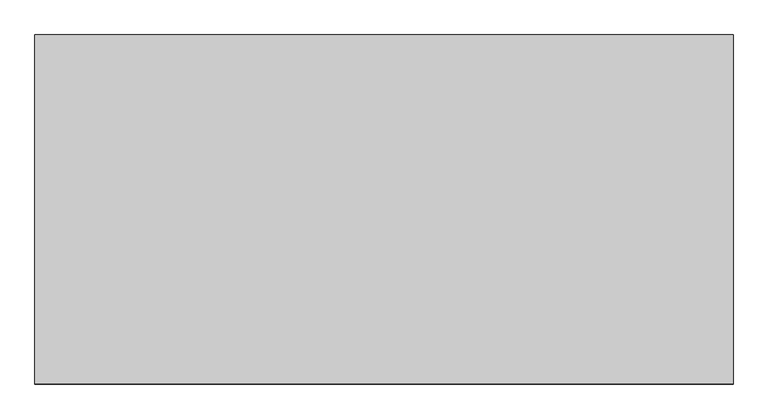
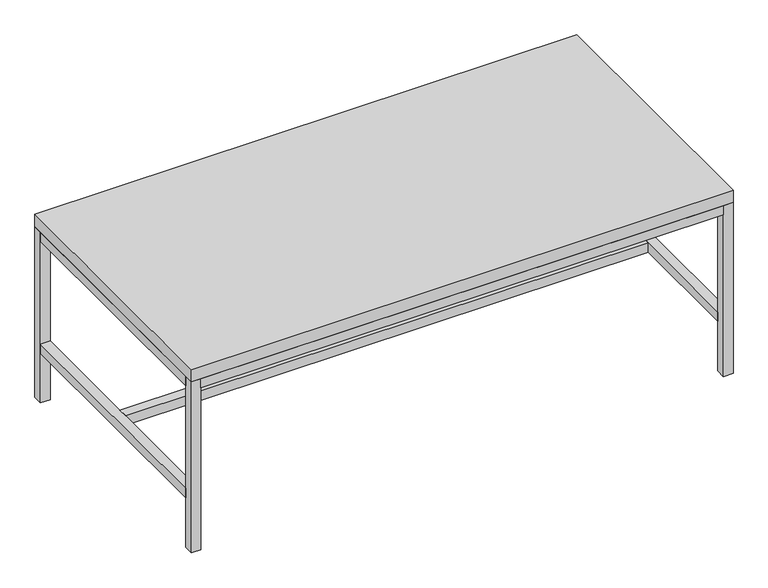
"""IFC4 building model written with IfcOpenShell, lengths in millimetres: furniture geometry."""

import ifcopenshell
import ifcopenshell.guid

model = None  # the IFC model being written
_history = None  # IfcOwnerHistory: only IFC2X3 demands one
_inside = {}  # id of a spatial element -> (the spatial element, [elements in it])
_under = {}  # id of a project, library or spatial element -> (it, [spatial elements below it])
_declared = {}  # id of a project -> (the project, [libraries it declares])
_typed = {}  # id of a type object -> (the type object, [elements of that type])
_made_of = {}  # id of a material, layer set ... -> (it, [elements and type objects made of it])


def new_model(schema):
    """Start an empty IFC model of exactly this schema.

    Asked for "IFC4X3", IfcOpenShell would pick the latest addendum, in which some entities
    have other attributes; the version numbers below select the first issue.
    IFC2X3 requires an IfcOwnerHistory on every rooted entity: one is made here for all.
    """
    global model, _history
    if schema == "IFC4X3":
        model = ifcopenshell.file(schema_version=(4, 3, 0, 0))
    else:
        model = ifcopenshell.file(schema=schema)
    _inside.clear()
    _under.clear()
    _declared.clear()
    _typed.clear()
    _made_of.clear()
    _history = None
    if model.schema == "IFC2X3":
        org = make("IfcOrganization", Name="unknown")
        user = make(
            "IfcPersonAndOrganization",
            ThePerson=make("IfcPerson", FamilyName="unknown"),
            TheOrganization=org,
        )
        app = make(
            "IfcApplication",
            ApplicationDeveloper=org,
            Version="unknown",
            ApplicationFullName="unknown",
            ApplicationIdentifier="unknown",
        )
        _history = make(
            "IfcOwnerHistory",
            OwningUser=user,
            OwningApplication=app,
            ChangeAction="ADDED",
            CreationDate=0,
        )
    return model


def make(cls, **values):
    """One entity of the class cls with the attributes given. An attribute that is None is left unset."""
    return model.create_entity(
        cls, **{name: value for name, value in values.items() if value is not None}
    )


def rooted(cls, **values):
    """An entity with a GlobalId (a new one), such as an element, a storey or a relation."""
    return make(cls, GlobalId=ifcopenshell.guid.new(), OwnerHistory=_history, **values)


def si_unit(unit_type, name, prefix=None):
    """IfcSIUnit, for example si_unit("LENGTHUNIT", "METRE", prefix="MILLI")."""
    return make("IfcSIUnit", UnitType=unit_type, Prefix=prefix, Name=name)


def assignment(units):
    """IfcUnitAssignment: the units of a project."""
    return None if units is None else make("IfcUnitAssignment", Units=units)


def point(xyz):
    """IfcCartesianPoint."""
    return None if xyz is None else make("IfcCartesianPoint", Coordinates=xyz)


def direction(xyz):
    """IfcDirection."""
    return None if xyz is None else make("IfcDirection", DirectionRatios=xyz)


def frame(location, z_axis=None, x_axis=None):
    """IfcAxis2Placement3D, a coordinate frame: its origin and axes. An axis left out is left unset."""
    return make(
        "IfcAxis2Placement3D",
        Location=point(location),
        Axis=direction(z_axis),
        RefDirection=direction(x_axis),
    )


def origin():
    """The frame at (0, 0, 0) with its axes left unset."""
    return frame((0.0, 0.0, 0.0))


def origin_with_axes():
    """The frame at (0, 0, 0) with the z axis (0, 0, 1) and the x axis (1, 0, 0) written out."""
    return frame((0.0, 0.0, 0.0), z_axis=(0.0, 0.0, 1.0), x_axis=(1.0, 0.0, 0.0))


def place(relative_to, where):
    """IfcLocalPlacement: puts the frame where relative to a parent placement (None: the world)."""
    return make(
        "IfcLocalPlacement", PlacementRelTo=relative_to, RelativePlacement=where
    )


def context(
    kind, dimensions, precision=None, world=None, true_north=None, identifier=None
):
    """IfcGeometricRepresentationContext, for example the 3D "Model" context."""
    return make(
        "IfcGeometricRepresentationContext",
        ContextIdentifier=identifier,
        ContextType=kind,
        CoordinateSpaceDimension=dimensions,
        Precision=precision,
        WorldCoordinateSystem=world,
        TrueNorth=true_north,
    )


def project(units=None, contexts=None):
    """IfcProject with its units and contexts."""
    return rooted(
        "IfcProject",
        Name="project",
        RepresentationContexts=contexts,
        UnitsInContext=assignment(units),
    )


def spatial(cls, under=None, at=None, **own):
    """A site, building, storey or space (cls), placed at a placement, below another one or the project."""
    s = rooted(cls, ObjectPlacement=at, **own)
    if under is not None:
        _under.setdefault(under.id(), (under, []))[1].append(s)
    return s


def polyline(points):
    """IfcPolyline through the points."""
    return make("IfcPolyline", Points=[point(p) for p in points])


def outline(outer, holes=None, kind="AREA"):
    """IfcArbitraryClosedProfileDef: a profile drawn as a closed curve; with holes, ...WithVoids."""
    if holes is None:
        return make("IfcArbitraryClosedProfileDef", ProfileType=kind, OuterCurve=outer)
    return make(
        "IfcArbitraryProfileDefWithVoids",
        ProfileType=kind,
        OuterCurve=outer,
        InnerCurves=holes,
    )


def extrude(swept, where, along, depth):
    """IfcExtrudedAreaSolid: the profile swept, set in the frame where, extruded along a direction by depth."""
    return make(
        "IfcExtrudedAreaSolid",
        SweptArea=swept,
        Position=where,
        ExtrudedDirection=direction(along),
        Depth=depth,
    )


def shape(context_of_items, identifier, shape_type, items):
    """IfcShapeRepresentation: the items that make up one representation, for example the "Body"."""
    return make(
        "IfcShapeRepresentation",
        ContextOfItems=context_of_items,
        RepresentationIdentifier=identifier,
        RepresentationType=shape_type,
        Items=items,
    )


def source(mapping_origin, context_of_items, identifier, shape_type, items):
    """IfcRepresentationMap: a shape defined once, which mapped items show again and again."""
    return make(
        "IfcRepresentationMap",
        MappingOrigin=mapping_origin,
        MappedRepresentation=shape(context_of_items, identifier, shape_type, items),
    )


def transform(
    local_origin,
    x_axis=None,
    y_axis=None,
    z_axis=None,
    scale=None,
    scale2=None,
    scale3=None,
    uniform=True,
):
    """IfcCartesianTransformationOperator3D, or its non-uniform kind. x_axis, y_axis, z_axis: its Axis1, 2, 3."""
    if uniform:
        return make(
            "IfcCartesianTransformationOperator3D",
            Axis1=direction(x_axis),
            Axis2=direction(y_axis),
            LocalOrigin=point(local_origin),
            Scale=scale,
            Axis3=direction(z_axis),
        )
    return make(
        "IfcCartesianTransformationOperator3DnonUniform",
        Axis1=direction(x_axis),
        Axis2=direction(y_axis),
        LocalOrigin=point(local_origin),
        Scale=scale,
        Axis3=direction(z_axis),
        Scale2=scale2,
        Scale3=scale3,
    )


def mapped(mapping_source, mapping_target):
    """IfcMappedItem: shows the shape of a source again, moved by a transform."""
    return make(
        "IfcMappedItem", MappingSource=mapping_source, MappingTarget=mapping_target
    )


def made_of(thing, what):
    """Note that an element or type object is made of a material, layer set ...; save() writes the relation."""
    if what is not None:
        _made_of.setdefault(what.id(), (what, []))[1].append(thing)
    return thing


def element(
    cls,
    number,
    at=None,
    inside=None,
    cuts=None,
    type_object=None,
    material=None,
    context=None,
    identifier="Body",
    shape_type=None,
    held_by="IfcProductDefinitionShape",
    body=None,
    shapes=None,
    **own,
):
    """One element of the class cls, such as IfcWall. Its Tag is "e" and its number.

    at: its placement. inside: the storey or other place that contains it. cuts: it is an
    opening in that element (IfcRelVoidsElement). A single representation is given by context,
    identifier, shape_type and body (its items); several are given by shapes. held_by: the class
    of the entity that holds the representations. save() writes the other relations.
    """
    e = rooted(cls, Tag="e%d" % number, ObjectPlacement=at, **own)
    if body is not None:
        shapes = [shape(context, identifier, shape_type, body)]
    if shapes is not None:
        e.Representation = make(held_by, Representations=shapes)
    if inside is not None:
        _inside.setdefault(inside.id(), (inside, []))[1].append(e)
    if cuts is not None:
        rooted(
            "IfcRelVoidsElement", RelatingBuildingElement=cuts, RelatedOpeningElement=e
        )
    if type_object is not None:
        _typed.setdefault(type_object.id(), (type_object, []))[1].append(e)
    return made_of(e, material)


def aggregate(whole, parts):
    """IfcRelAggregates: a whole, such as a stair, and the parts it consists of."""
    return rooted("IfcRelAggregates", RelatingObject=whole, RelatedObjects=parts)


def save(model, path):
    """Write the relations noted so far, then the file.

    IfcRelAggregates (storeys below a building ...), IfcRelContainedInSpatialStructure (elements
    in a storey), IfcRelDefinesByType, IfcRelAssociatesMaterial and IfcRelDeclares: one each for
    every whole, place, type object, material and project.
    """
    for whole, parts in _under.values():
        aggregate(whole, parts)
    for where, things in _inside.values():
        rooted(
            "IfcRelContainedInSpatialStructure",
            RelatedElements=things,
            RelatingStructure=where,
        )
    for kind, things in _typed.values():
        rooted("IfcRelDefinesByType", RelatedObjects=things, RelatingType=kind)
    for what, things in _made_of.values():
        rooted("IfcRelAssociatesMaterial", RelatedObjects=things, RelatingMaterial=what)
    for by, libraries in _declared.values():
        rooted("IfcRelDeclares", RelatingContext=by, RelatedDefinitions=libraries)
    model.write(path)


def furniture_e52c4ae0(model_context):
    return source(origin(), model_context, "Body", "SweptSolid", [
        extrude(outline(polyline([(6946.9, -597.9973297), (4813.3, -597.9973297), (4813.3, 468.8026703), (6946.9, 468.8026703), (6946.9, -597.9973297)])), frame((0.0, 0.0, 711.2), z_axis=(0.0, 0.0, 1.0), x_axis=(1.0, 0.0, 0.0)), (0.0, 0.0, 1.0), 50.8),
        extrude(outline(polyline([(6908.8, -83.6473297), (4851.4, -83.6473297), (4851.4, -45.5473297), (6908.8, -45.5473297), (6908.8, -83.6473297)])), frame((0.0, 0.0, 206.375), z_axis=(0.0, 0.0, 1.0), x_axis=(1.0, 0.0, 0.0)), (0.0, 0.0, 1.0), 38.1),
        extrude(outline(polyline([(6908.8, -559.8973297), (6908.8, -597.9973297), (4851.4, -597.9973297), (4851.4, -559.8973297), (6908.8, -559.8973297)])), frame((0.0, 0.0, 673.1), z_axis=(0.0, 0.0, 1.0), x_axis=(1.0, 0.0, 0.0)), (0.0, 0.0, 1.0), 38.1),
        extrude(outline(polyline([(4851.4, 468.8026703), (6908.8, 468.8026703), (6908.8, 430.7027578), (4851.4, 430.7027578), (4851.4, 468.8026703)])), frame((0.0, 0.0, 673.1), z_axis=(0.0, 0.0, 1.0), x_axis=(1.0, 0.0, 0.0)), (0.0, 0.0, 1.0), 38.1),
        extrude(outline(polyline([(6908.8, 430.7027578), (6946.9, 430.7027578), (6946.9, -559.8973297), (6908.8, -559.8973297), (6908.8, 430.7027578)])), frame((0.0, 0.0, 673.1), z_axis=(0.0, 0.0, 1.0), x_axis=(1.0, 0.0, 0.0)), (0.0, 0.0, 1.0), 38.1),
        extrude(outline(polyline([(6908.8, 430.7027578), (6946.9, 430.7027578), (6946.9, -559.8973297), (6908.8, -559.8973297), (6908.8, 430.7027578)])), frame((0.0, 0.0, 206.375), z_axis=(0.0, 0.0, 1.0), x_axis=(1.0, 0.0, 0.0)), (0.0, 0.0, 1.0), 38.1),
        extrude(outline(polyline([(4813.3, 430.7027578), (4851.4, 430.7027578), (4851.4, -559.8973297), (4813.3, -559.8973297), (4813.3, 430.7027578)])), frame((0.0, 0.0, 206.375), z_axis=(0.0, 0.0, 1.0), x_axis=(1.0, 0.0, 0.0)), (0.0, 0.0, 1.0), 38.1),
        extrude(outline(polyline([(4813.3, 430.7027578), (4851.4, 430.7027578), (4851.4, -559.8973297), (4813.3, -559.8973297), (4813.3, 430.7027578)])), frame((0.0, 0.0, 673.1), z_axis=(0.0, 0.0, 1.0), x_axis=(1.0, 0.0, 0.0)), (0.0, 0.0, 1.0), 38.1),
        extrude(outline(polyline([(6946.9, -597.9973297), (6908.8, -597.9973297), (6908.8, -559.8973297), (6946.9, -559.8973297), (6946.9, -597.9973297)])), origin_with_axes(), (0.0, 0.0, 1.0), 711.2),
        extrude(outline(polyline([(6946.9, 430.7027578), (6908.8, 430.7027578), (6908.8, 468.8026703), (6946.9, 468.8026703), (6946.9, 430.7027578)])), origin_with_axes(), (0.0, 0.0, 1.0), 711.2),
        extrude(outline(polyline([(4851.4, 430.7027578), (4813.3, 430.7027578), (4813.3, 468.8026703), (4851.4, 468.8026703), (4851.4, 430.7027578)])), origin_with_axes(), (0.0, 0.0, 1.0), 711.2),
        extrude(outline(polyline([(4851.4, -597.9973297), (4813.3, -597.9973297), (4813.3, -559.8973297), (4851.4, -559.8973297), (4851.4, -597.9973297)])), origin_with_axes(), (0.0, 0.0, 1.0), 711.2),
    ])


if __name__ == "__main__":
    model = new_model("IFC4")
    model_context = context("Model", 3, world=origin())
    ifc_project = project(units=[si_unit("LENGTHUNIT", "METRE", prefix="MILLI")], contexts=[model_context])
    site = spatial("IfcSite", under=ifc_project)
    building = spatial("IfcBuilding", under=site)
    placement = place(None, origin())
    furniture_shape = furniture_e52c4ae0(model_context)
    element("IfcFurniture", 1, at=placement, inside=building, context=model_context, shape_type="MappedRepresentation", body=[
        mapped(furniture_shape, transform((0.0, 0.0, 0.0), x_axis=(1.0, 0.0, 0.0), y_axis=(0.0, 1.0, 0.0), z_axis=(0.0, 0.0, 1.0))),
    ])
    save(model, "model.ifc")
